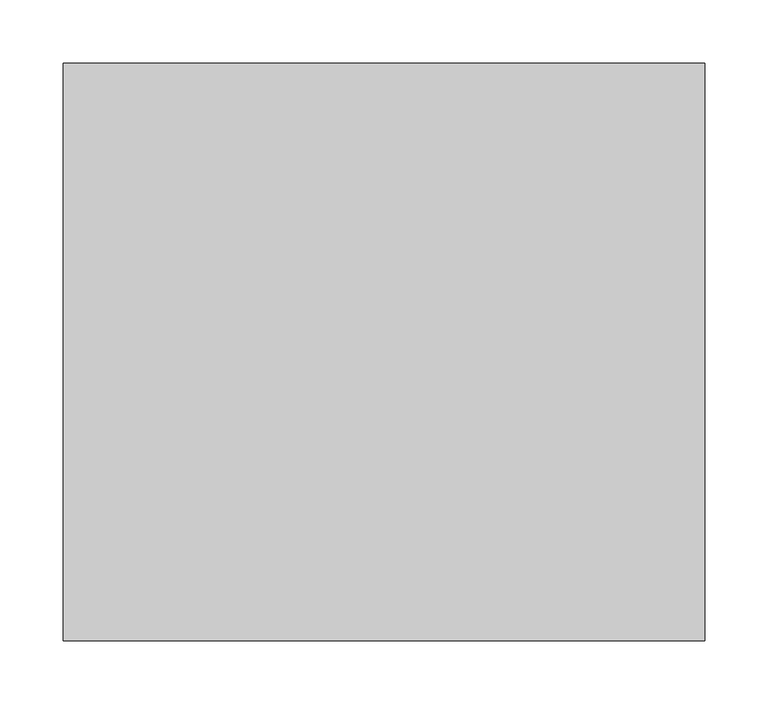
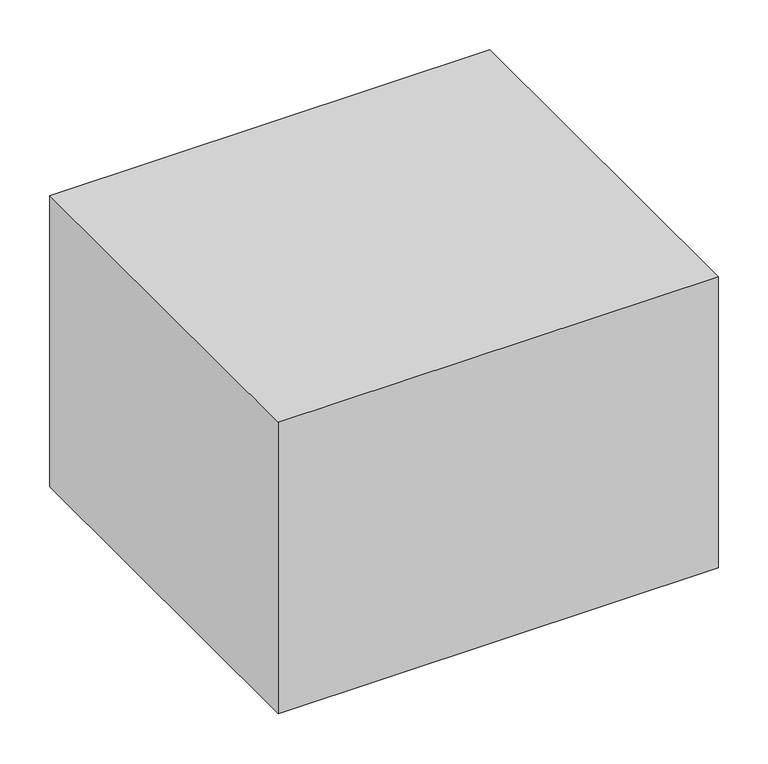
"""IFC4 building model written with IfcOpenShell, lengths in millimetres: proxy geometry."""

import ifcopenshell
import ifcopenshell.guid

model = None  # the IFC model being written
_history = None  # IfcOwnerHistory: only IFC2X3 demands one
_inside = {}  # id of a spatial element -> (the spatial element, [elements in it])
_under = {}  # id of a project, library or spatial element -> (it, [spatial elements below it])
_declared = {}  # id of a project -> (the project, [libraries it declares])
_typed = {}  # id of a type object -> (the type object, [elements of that type])
_made_of = {}  # id of a material, layer set ... -> (it, [elements and type objects made of it])


def new_model(schema):
    """Start an empty IFC model of exactly this schema.

    Asked for "IFC4X3", IfcOpenShell would pick the latest addendum, in which some entities
    have other attributes; the version numbers below select the first issue.
    IFC2X3 requires an IfcOwnerHistory on every rooted entity: one is made here for all.
    """
    global model, _history
    if schema == "IFC4X3":
        model = ifcopenshell.file(schema_version=(4, 3, 0, 0))
    else:
        model = ifcopenshell.file(schema=schema)
    _inside.clear()
    _under.clear()
    _declared.clear()
    _typed.clear()
    _made_of.clear()
    _history = None
    if model.schema == "IFC2X3":
        org = make("IfcOrganization", Name="unknown")
        user = make(
            "IfcPersonAndOrganization",
            ThePerson=make("IfcPerson", FamilyName="unknown"),
            TheOrganization=org,
        )
        app = make(
            "IfcApplication",
            ApplicationDeveloper=org,
            Version="unknown",
            ApplicationFullName="unknown",
            ApplicationIdentifier="unknown",
        )
        _history = make(
            "IfcOwnerHistory",
            OwningUser=user,
            OwningApplication=app,
            ChangeAction="ADDED",
            CreationDate=0,
        )
    return model


def make(cls, **values):
    """One entity of the class cls with the attributes given. An attribute that is None is left unset."""
    return model.create_entity(
        cls, **{name: value for name, value in values.items() if value is not None}
    )


def rooted(cls, **values):
    """An entity with a GlobalId (a new one), such as an element, a storey or a relation."""
    return make(cls, GlobalId=ifcopenshell.guid.new(), OwnerHistory=_history, **values)


def si_unit(unit_type, name, prefix=None):
    """IfcSIUnit, for example si_unit("LENGTHUNIT", "METRE", prefix="MILLI")."""
    return make("IfcSIUnit", UnitType=unit_type, Prefix=prefix, Name=name)


def assignment(units):
    """IfcUnitAssignment: the units of a project."""
    return None if units is None else make("IfcUnitAssignment", Units=units)


def point(xyz):
    """IfcCartesianPoint."""
    return None if xyz is None else make("IfcCartesianPoint", Coordinates=xyz)


def direction(xyz):
    """IfcDirection."""
    return None if xyz is None else make("IfcDirection", DirectionRatios=xyz)


def frame(location, z_axis=None, x_axis=None):
    """IfcAxis2Placement3D, a coordinate frame: its origin and axes. An axis left out is left unset."""
    return make(
        "IfcAxis2Placement3D",
        Location=point(location),
        Axis=direction(z_axis),
        RefDirection=direction(x_axis),
    )


def origin():
    """The frame at (0, 0, 0) with its axes left unset."""
    return frame((0.0, 0.0, 0.0))


def origin_with_axes():
    """The frame at (0, 0, 0) with the z axis (0, 0, 1) and the x axis (1, 0, 0) written out."""
    return frame((0.0, 0.0, 0.0), z_axis=(0.0, 0.0, 1.0), x_axis=(1.0, 0.0, 0.0))


def place(relative_to, where):
    """IfcLocalPlacement: puts the frame where relative to a parent placement (None: the world)."""
    return make(
        "IfcLocalPlacement", PlacementRelTo=relative_to, RelativePlacement=where
    )


def context(
    kind, dimensions, precision=None, world=None, true_north=None, identifier=None
):
    """IfcGeometricRepresentationContext, for example the 3D "Model" context."""
    return make(
        "IfcGeometricRepresentationContext",
        ContextIdentifier=identifier,
        ContextType=kind,
        CoordinateSpaceDimension=dimensions,
        Precision=precision,
        WorldCoordinateSystem=world,
        TrueNorth=true_north,
    )


def project(units=None, contexts=None):
    """IfcProject with its units and contexts."""
    return rooted(
        "IfcProject",
        Name="project",
        RepresentationContexts=contexts,
        UnitsInContext=assignment(units),
    )


def spatial(cls, under=None, at=None, **own):
    """A site, building, storey or space (cls), placed at a placement, below another one or the project."""
    s = rooted(cls, ObjectPlacement=at, **own)
    if under is not None:
        _under.setdefault(under.id(), (under, []))[1].append(s)
    return s


def polyline(points):
    """IfcPolyline through the points."""
    return make("IfcPolyline", Points=[point(p) for p in points])


def outline(outer, holes=None, kind="AREA"):
    """IfcArbitraryClosedProfileDef: a profile drawn as a closed curve; with holes, ...WithVoids."""
    if holes is None:
        return make("IfcArbitraryClosedProfileDef", ProfileType=kind, OuterCurve=outer)
    return make(
        "IfcArbitraryProfileDefWithVoids",
        ProfileType=kind,
        OuterCurve=outer,
        InnerCurves=holes,
    )


def extrude(swept, where, along, depth):
    """IfcExtrudedAreaSolid: the profile swept, set in the frame where, extruded along a direction by depth."""
    return make(
        "IfcExtrudedAreaSolid",
        SweptArea=swept,
        Position=where,
        ExtrudedDirection=direction(along),
        Depth=depth,
    )


def shape(context_of_items, identifier, shape_type, items):
    """IfcShapeRepresentation: the items that make up one representation, for example the "Body"."""
    return make(
        "IfcShapeRepresentation",
        ContextOfItems=context_of_items,
        RepresentationIdentifier=identifier,
        RepresentationType=shape_type,
        Items=items,
    )


def source(mapping_origin, context_of_items, identifier, shape_type, items):
    """IfcRepresentationMap: a shape defined once, which mapped items show again and again."""
    return make(
        "IfcRepresentationMap",
        MappingOrigin=mapping_origin,
        MappedRepresentation=shape(context_of_items, identifier, shape_type, items),
    )


def transform(
    local_origin,
    x_axis=None,
    y_axis=None,
    z_axis=None,
    scale=None,
    scale2=None,
    scale3=None,
    uniform=True,
):
    """IfcCartesianTransformationOperator3D, or its non-uniform kind. x_axis, y_axis, z_axis: its Axis1, 2, 3."""
    if uniform:
        return make(
            "IfcCartesianTransformationOperator3D",
            Axis1=direction(x_axis),
            Axis2=direction(y_axis),
            LocalOrigin=point(local_origin),
            Scale=scale,
            Axis3=direction(z_axis),
        )
    return make(
        "IfcCartesianTransformationOperator3DnonUniform",
        Axis1=direction(x_axis),
        Axis2=direction(y_axis),
        LocalOrigin=point(local_origin),
        Scale=scale,
        Axis3=direction(z_axis),
        Scale2=scale2,
        Scale3=scale3,
    )


def mapped(mapping_source, mapping_target):
    """IfcMappedItem: shows the shape of a source again, moved by a transform."""
    return make(
        "IfcMappedItem", MappingSource=mapping_source, MappingTarget=mapping_target
    )


def made_of(thing, what):
    """Note that an element or type object is made of a material, layer set ...; save() writes the relation."""
    if what is not None:
        _made_of.setdefault(what.id(), (what, []))[1].append(thing)
    return thing


def element(
    cls,
    number,
    at=None,
    inside=None,
    cuts=None,
    type_object=None,
    material=None,
    context=None,
    identifier="Body",
    shape_type=None,
    held_by="IfcProductDefinitionShape",
    body=None,
    shapes=None,
    **own,
):
    """One element of the class cls, such as IfcWall. Its Tag is "e" and its number.

    at: its placement. inside: the storey or other place that contains it. cuts: it is an
    opening in that element (IfcRelVoidsElement). A single representation is given by context,
    identifier, shape_type and body (its items); several are given by shapes. held_by: the class
    of the entity that holds the representations. save() writes the other relations.
    """
    e = rooted(cls, Tag="e%d" % number, ObjectPlacement=at, **own)
    if body is not None:
        shapes = [shape(context, identifier, shape_type, body)]
    if shapes is not None:
        e.Representation = make(held_by, Representations=shapes)
    if inside is not None:
        _inside.setdefault(inside.id(), (inside, []))[1].append(e)
    if cuts is not None:
        rooted(
            "IfcRelVoidsElement", RelatingBuildingElement=cuts, RelatedOpeningElement=e
        )
    if type_object is not None:
        _typed.setdefault(type_object.id(), (type_object, []))[1].append(e)
    return made_of(e, material)


def aggregate(whole, parts):
    """IfcRelAggregates: a whole, such as a stair, and the parts it consists of."""
    return rooted("IfcRelAggregates", RelatingObject=whole, RelatedObjects=parts)


def save(model, path):
    """Write the relations noted so far, then the file.

    IfcRelAggregates (storeys below a building ...), IfcRelContainedInSpatialStructure (elements
    in a storey), IfcRelDefinesByType, IfcRelAssociatesMaterial and IfcRelDeclares: one each for
    every whole, place, type object, material and project.
    """
    for whole, parts in _under.values():
        aggregate(whole, parts)
    for where, things in _inside.values():
        rooted(
            "IfcRelContainedInSpatialStructure",
            RelatedElements=things,
            RelatingStructure=where,
        )
    for kind, things in _typed.values():
        rooted("IfcRelDefinesByType", RelatedObjects=things, RelatingType=kind)
    for what, things in _made_of.values():
        rooted("IfcRelAssociatesMaterial", RelatedObjects=things, RelatingMaterial=what)
    for by, libraries in _declared.values():
        rooted("IfcRelDeclares", RelatingContext=by, RelatedDefinitions=libraries)
    model.write(path)


def specialty_equipment_8d517b48(model_context):
    return source(origin(), model_context, "Body", "SweptSolid", [
        extrude(outline(polyline([(-152.4, 152.4), (152.4, 152.4), (152.4, -152.4), (-152.4, -152.4), (-152.4, 0.0), (-152.4, 152.4)])), origin_with_axes(), (0.0, 0.0, 1.0), 304.8),
        extrude(outline(polyline([(254.0, -228.6), (-254.0, -228.6), (-254.0, 228.6), (254.0, 228.6), (254.0, -228.6)])), origin_with_axes(), (0.0, 0.0, 1.0), 355.6),
    ])


if __name__ == "__main__":
    model = new_model("IFC4")
    model_context = context("Model", 3, world=origin())
    ifc_project = project(units=[si_unit("LENGTHUNIT", "METRE", prefix="MILLI")], contexts=[model_context])
    site = spatial("IfcSite", under=ifc_project)
    building = spatial("IfcBuilding", under=site)
    placement = place(None, origin())
    specialty_equipment_shape = specialty_equipment_8d517b48(model_context)
    element("IfcBuildingElementProxy", 1, Name="Specialty Equipment", at=placement, inside=building, context=model_context, shape_type="MappedRepresentation", body=[
        mapped(specialty_equipment_shape, transform((0.0, 0.0, 0.0), x_axis=(1.0, 0.0, 0.0), y_axis=(0.0, 1.0, 0.0), z_axis=(0.0, 0.0, 1.0))),
    ])
    save(model, "model.ifc")
